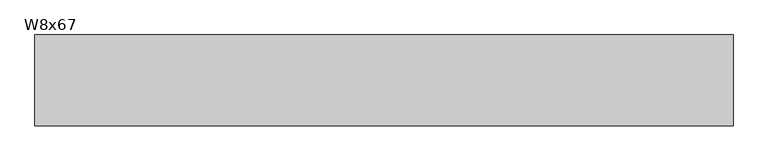
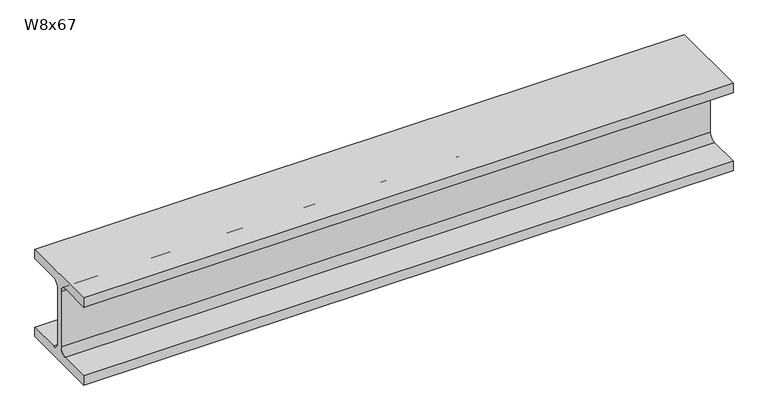
"""IFC4 building model written with IfcOpenShell, lengths in millimetres: beam geometry, W8x67."""

from ifc_helpers import new_model, si_unit, point, frame, frame_2d, origin, place, context, project, spatial, polyline, circle_curve, trimmed, segment, composite_curve, outline, extrude, source, transform, mapped, element, save


def w8x67_61eeadcf(model_context):
    return source(origin(), model_context, "Body", "SweptSolid", [
        extrude(outline(composite_curve([segment(polyline([(105.156, -90.551), (105.156, -114.3), (-105.156, -114.3), (-105.156, -90.551), (-24.765, -90.551)]), True, "CONTINUOUS"), segment(trimmed(circle_curve(frame_2d((-24.765, -73.025)), 17.526), [point((-24.765, -90.551))], [point((-7.239, -73.025))], True, "CARTESIAN"), True, "CONTINUOUS"), segment(polyline([(-7.239, -73.025), (-7.239, 73.025)]), True, "CONTINUOUS"), segment(trimmed(circle_curve(frame_2d((-24.765, 73.025)), 17.526), [point((-7.239, 73.025))], [point((-24.765, 90.551))], True, "CARTESIAN"), True, "CONTINUOUS"), segment(polyline([(-24.765, 90.551), (-105.156, 90.551), (-105.156, 114.3), (105.156, 114.3), (105.156, 90.551), (24.765, 90.551)]), True, "CONTINUOUS"), segment(trimmed(circle_curve(frame_2d((24.765, 73.025)), 17.526), [point((24.765, 90.551))], [point((7.239, 73.025))], True, "CARTESIAN"), True, "CONTINUOUS"), segment(polyline([(7.239, 73.025), (7.239, -73.025)]), True, "CONTINUOUS"), segment(trimmed(circle_curve(frame_2d((24.765, -73.025)), 17.526), [point((7.239, -73.025))], [point((24.765, -90.551))], True, "CARTESIAN"), True, "CONTINUOUS"), segment(polyline([(24.765, -90.551), (105.156, -90.551)]), True, "CONTINUOUS")], self_intersect=False)), frame((-806.45, 0.0, 0.0), z_axis=(1.0, 0.0, 0.0), x_axis=(0.0, 1.0, 0.0)), (0.0, 0.0, 1.0), 1612.9),
    ])


if __name__ == "__main__":
    model = new_model("IFC4")
    model_context = context("Model", 3, world=origin())
    ifc_project = project(units=[si_unit("LENGTHUNIT", "METRE", prefix="MILLI")], contexts=[model_context])
    site = spatial("IfcSite", under=ifc_project)
    building = spatial("IfcBuilding", under=site)
    placement = place(None, origin())
    w8x67_shape = w8x67_61eeadcf(model_context)
    element("IfcBeam", 1, ObjectType="W8x67", at=placement, inside=building, context=model_context, shape_type="MappedRepresentation", body=[
        mapped(w8x67_shape, transform((0.0, 0.0, 0.0), x_axis=(1.0, 0.0, 0.0), y_axis=(0.0, 1.0, 0.0), z_axis=(0.0, 0.0, 1.0))),
    ])
    save(model, "model.ifc")
